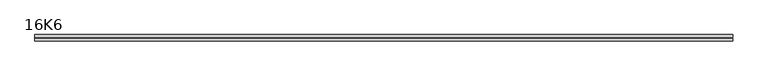
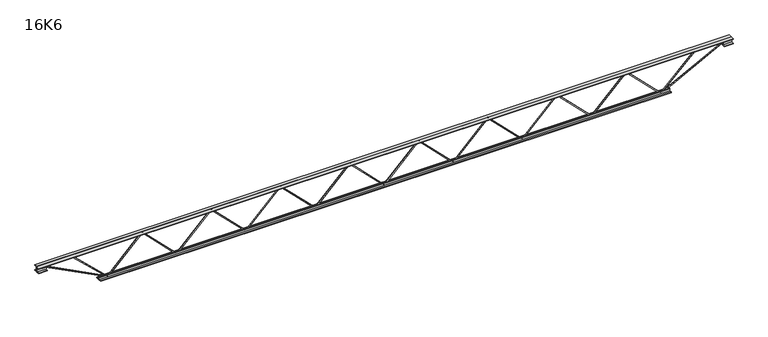
"""IFC4 building model written with IfcOpenShell, lengths in millimetres: beam geometry, 16K6."""

from ifc_helpers import new_model, si_unit, frame, origin, place, context, project, spatial, polyline, outline, extrude, source, transform, mapped, element, save


def beam_16k6_950216bf(model_context):
    return source(origin(), model_context, "Body", "SweptSolid", [
        extrude(outline(polyline([(-191.9, 1589.0), (-201.4, 1589.0), (-201.4, 1594.1510354), (191.9, 1985.0510354), (191.9, 1987.4489646), (-201.4, 2378.3489646), (-201.4, 2383.5), (-191.9, 2383.5), (-191.9, 2382.3010354), (201.4, 1991.4010354), (201.4, 1981.0989646), (-191.9, 1590.1989646), (-191.9, 1589.0)])), frame((0.0, -4.75, 0.0), z_axis=(0.0, 1.0, 0.0), x_axis=(0.0, 0.0, 1.0)), (0.0, 0.0, 1.0), 9.5),
        extrude(outline(polyline([(-191.9, 794.5), (-201.4, 794.5), (-201.4, 799.6510354), (191.9, 1190.5510354), (191.9, 1192.9489646), (-201.4, 1583.8489646), (-201.4, 1589.0), (-191.9, 1589.0), (-191.9, 1587.8010354), (201.4, 1196.9010354), (201.4, 1186.5989646), (-191.9, 795.6989646), (-191.9, 794.5)])), frame((0.0, -4.75, 0.0), z_axis=(0.0, 1.0, 0.0), x_axis=(0.0, 0.0, 1.0)), (0.0, 0.0, 1.0), 9.5),
        extrude(outline(polyline([(-191.9, 0.0), (-201.4, 0.0), (-201.4, 5.1510354), (191.9, 396.0510354), (191.9, 398.4489646), (-201.4, 789.3489646), (-201.4, 794.5), (-191.9, 794.5), (-191.9, 793.3010354), (201.4, 402.4010354), (201.4, 392.0989646), (-191.9, 1.1989646), (-191.9, 0.0)])), frame((0.0, -4.75, 0.0), z_axis=(0.0, 1.0, 0.0), x_axis=(0.0, 0.0, 1.0)), (0.0, 0.0, 1.0), 9.5),
        extrude(outline(polyline([(-191.9, -794.5), (-201.4, -794.5), (-201.4, -789.3489646), (191.9, -398.4489646), (191.9, -396.0510354), (-201.4, -5.1510354), (-201.4, 0.0), (-191.9, 0.0), (-191.9, -1.1989646), (201.4, -392.0989646), (201.4, -402.4010354), (-191.9, -793.3010354), (-191.9, -794.5)])), frame((0.0, -4.75, 0.0), z_axis=(0.0, 1.0, 0.0), x_axis=(0.0, 0.0, 1.0)), (0.0, 0.0, 1.0), 9.5),
        extrude(outline(polyline([(-191.9, -1589.0), (-201.4, -1589.0), (-201.4, -1583.8489646), (191.9, -1192.9489646), (191.9, -1190.5510354), (-201.4, -799.6510354), (-201.4, -794.5), (-191.9, -794.5), (-191.9, -795.6989646), (201.4, -1186.5989646), (201.4, -1196.9010354), (-191.9, -1587.8010354), (-191.9, -1589.0)])), frame((0.0, -4.75, 0.0), z_axis=(0.0, 1.0, 0.0), x_axis=(0.0, 0.0, 1.0)), (0.0, 0.0, 1.0), 9.5),
        extrude(outline(polyline([(-191.9, -2383.5), (-201.4, -2383.5), (-201.4, -2378.3489646), (191.9, -1987.4489646), (191.9, -1985.0510354), (-201.4, -1594.1510354), (-201.4, -1589.0), (-191.9, -1589.0), (-191.9, -1590.1989646), (201.4, -1981.0989646), (201.4, -1991.4010354), (-191.9, -2382.3010354), (-191.9, -2383.5)])), frame((0.0, -4.75, 0.0), z_axis=(0.0, 1.0, 0.0), x_axis=(0.0, 0.0, 1.0)), (0.0, 0.0, 1.0), 9.5),
        extrude(outline(polyline([(-191.9, 2383.5), (-201.4, 2383.5), (-201.4, 2388.6510354), (191.9, 2779.5510354), (191.9, 2781.9489646), (-201.4, 3172.8489646), (-201.4, 3178.0), (-191.9, 3178.0), (-191.9, 3176.8010354), (201.4, 2785.9010354), (201.4, 2775.5989646), (-191.9, 2384.6989646), (-191.9, 2383.5)])), frame((0.0, -4.75, 0.0), z_axis=(0.0, 1.0, 0.0), x_axis=(0.0, 0.0, 1.0)), (0.0, 0.0, 1.0), 9.5),
        extrude(outline(polyline([(-191.9, -3178.0), (-201.4, -3178.0), (-201.4, -3172.8489646), (191.9, -2781.9489646), (191.9, -2779.5510354), (-201.4, -2388.6510354), (-201.4, -2383.5), (-191.9, -2383.5), (-191.9, -2384.6989646), (201.4, -2775.5989646), (201.4, -2785.9010354), (-191.9, -3176.8010354), (-191.9, -3178.0)])), frame((0.0, -4.75, 0.0), z_axis=(0.0, 1.0, 0.0), x_axis=(0.0, 0.0, 1.0)), (0.0, 0.0, 1.0), 9.5),
        extrude(outline(polyline([(4.75, 203.0), (36.75, 203.0), (36.75, 196.5), (11.25, 196.5), (11.25, 171.0), (4.75, 171.0), (4.75, 203.0)])), frame((-3990.0, 0.0, 0.0), z_axis=(1.0, 0.0, 0.0), x_axis=(0.0, 1.0, 0.0)), (0.0, 0.0, 1.0), 7980.0),
        extrude(outline(polyline([(-4.75, 203.0), (-4.75, 171.0), (-11.25, 171.0), (-11.25, 196.5), (-36.75, 196.5), (-36.75, 203.0), (-4.75, 203.0)])), frame((-3990.0, 0.0, 0.0), z_axis=(1.0, 0.0, 0.0), x_axis=(0.0, 1.0, 0.0)), (0.0, 0.0, 1.0), 7980.0),
        extrude(outline(polyline([(-4.75, 139.5), (-36.75, 139.5), (-36.75, 146.0), (-11.25, 146.0), (-11.25, 171.0), (-4.75, 171.0), (-4.75, 139.5)])), frame((-3990.0, 0.0, 0.0), z_axis=(1.0, 0.0, 0.0), x_axis=(0.0, 1.0, 0.0)), (0.0, 0.0, 1.0), 100.0),
        extrude(outline(polyline([(36.75, 139.5), (4.75, 139.5), (4.75, 171.0), (11.25, 171.0), (11.25, 146.0), (36.75, 146.0), (36.75, 139.5)])), frame((-3990.0, 0.0, 0.0), z_axis=(1.0, 0.0, 0.0), x_axis=(0.0, 1.0, 0.0)), (0.0, 0.0, 1.0), 100.0),
        extrude(outline(polyline([(4.75, 139.5), (4.75, 171.0), (11.25, 171.0), (11.25, 146.0), (36.75, 146.0), (36.75, 139.5), (4.75, 139.5)])), frame((3890.0, 0.0, 0.0), z_axis=(1.0, 0.0, 0.0), x_axis=(0.0, 1.0, 0.0)), (0.0, 0.0, 1.0), 100.0),
        extrude(outline(polyline([(-4.75, 139.5), (-36.75, 139.5), (-36.75, 146.0), (-11.25, 146.0), (-11.25, 171.0), (-4.75, 171.0), (-4.75, 139.5)])), frame((3890.0, 0.0, 0.0), z_axis=(1.0, 0.0, 0.0), x_axis=(0.0, 1.0, 0.0)), (0.0, 0.0, 1.0), 100.0),
        extrude(outline(polyline([(4.75, -203.0), (4.75, -171.0), (11.25, -171.0), (11.25, -196.5), (36.75, -196.5), (36.75, -203.0), (4.75, -203.0)])), frame((-3278.0, 0.0, 0.0), z_axis=(1.0, 0.0, 0.0), x_axis=(0.0, 1.0, 0.0)), (0.0, 0.0, 1.0), 6556.0),
        extrude(outline(polyline([(-4.75, -203.0), (-36.75, -203.0), (-36.75, -196.5), (-11.25, -196.5), (-11.25, -171.0), (-4.75, -171.0), (-4.75, -203.0)])), frame((-3278.0, 0.0, 0.0), z_axis=(1.0, 0.0, 0.0), x_axis=(0.0, 1.0, 0.0)), (0.0, 0.0, 1.0), 6556.0),
        extrude(outline(polyline([(-200.8705467, -3180.1793315), (-192.4294533, -3175.8206685), (175.75, -3888.8460208), (175.75, -3990.0), (166.25, -3990.0), (166.25, -3891.1539792), (-200.8705467, -3180.1793315)])), frame((0.0, -4.75, 0.0), z_axis=(0.0, 1.0, 0.0), x_axis=(0.0, 0.0, 1.0)), (0.0, 0.0, 1.0), 9.5),
        extrude(outline(polyline([(188.7, -3595.2071429), (179.2, -3595.2071429), (179.2, -3584.3904787), (-200.1094306, -3181.2549716), (-193.1905694, -3174.7450284), (188.7, -3580.623807), (188.7, -3595.2071429)])), frame((0.0, -4.75, 0.0), z_axis=(0.0, 1.0, 0.0), x_axis=(0.0, 0.0, 1.0)), (0.0, 0.0, 1.0), 9.5),
        extrude(outline(polyline([(0.0, -9.5), (0.0, 0.0), (801.3179909, 0.0), (801.3179909, -9.5), (0.0, -9.5)])), frame((3892.1793315, -4.75, 166.7794533), z_axis=(-0.4588066213244958, 0.0, 0.888536146832981), x_axis=(-0.888536146832981, 0.0, -0.4588066213244958)), (0.0, 0.0, 1.0), 9.5),
        extrude(outline(polyline([(0.0, -9.5), (0.0, 0.0), (569.4161194, 0.0), (569.4161194, -9.5), (0.0, -9.5)])), frame((3593.0451465, -4.75, 193.2151124), z_axis=(-0.6907075276347006, 0.0, 0.7231342276982603), x_axis=(-0.7231342276982603, 0.0, -0.6907075276347006)), (0.0, 0.0, 1.0), 9.5),
    ])


if __name__ == "__main__":
    model = new_model("IFC4")
    model_context = context("Model", 3, world=origin())
    ifc_project = project(units=[si_unit("LENGTHUNIT", "METRE", prefix="MILLI")], contexts=[model_context])
    site = spatial("IfcSite", under=ifc_project)
    building = spatial("IfcBuilding", under=site)
    placement = place(None, origin())
    beam_16k6_shape = beam_16k6_950216bf(model_context)
    element("IfcBeam", 1, ObjectType="16K6", at=placement, inside=building, context=model_context, shape_type="MappedRepresentation", body=[
        mapped(beam_16k6_shape, transform((0.0, 0.0, 0.0), x_axis=(1.0, 0.0, 0.0), y_axis=(0.0, 1.0, 0.0), z_axis=(0.0, 0.0, 1.0))),
    ])
    save(model, "model.ifc")
